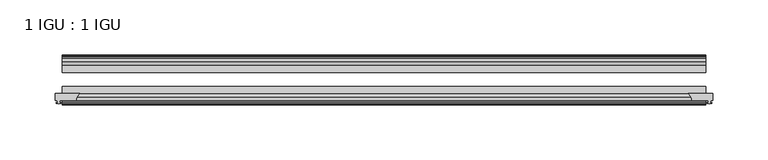
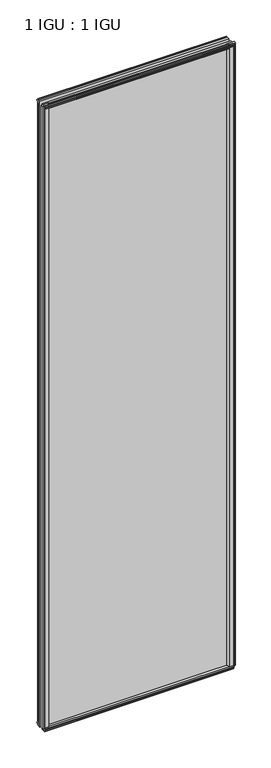
"""IFC4 building model written with IfcOpenShell, lengths in millimetres: plate geometry, 1 IGU : 1 IGU."""

from ifc_helpers import new_model, si_unit, point, frame, frame_2d, origin, origin_with_axes, place, context, project, spatial, polyline, circle_curve, trimmed, segment, composite_curve, outline, extrude, source, transform, mapped, element, save


def plate_1_igu_1_igu_6d74aeb4(model_context):
    return source(origin(), model_context, "Body", "SweptSolid", [
        extrude(outline(composite_curve([segment(polyline([(275.9114314, -44.9460938), (298.45, -44.9460938), (298.45, -51.2960938), (296.545, -51.2960938), (296.2275, -53.4006957), (297.4334059, -53.0775742), (297.4334059, -53.8927506), (295.275, -54.4710938), (293.1165941, -53.8927506), (293.1165941, -53.0775742), (294.3225, -53.4006957), (294.005, -51.2960938), (279.4, -51.2960938)]), True, "CONTINUOUS"), segment(trimmed(circle_curve(frame_2d((271.9615021, -51.2493858)), 7.4386445), [point((279.4, -51.2960938))], [point((275.9114314, -44.9460938))], True, "CARTESIAN"), True, "CONTINUOUS")], self_intersect=False)), origin_with_axes(), (0.0, 0.0, 1.0), 2031.9872998),
        extrude(outline(composite_curve([segment(trimmed(circle_curve(frame_2d((-271.9615021, -51.2493858)), 7.4386445), [point((-275.9114314, -44.9460937))], [point((-279.4, -51.2960937))], True, "CARTESIAN"), True, "CONTINUOUS"), segment(polyline([(-279.4, -51.2960937), (-294.005, -51.2960937), (-294.3225, -53.4006957), (-293.1165941, -53.0775742), (-293.1165941, -53.8927506), (-295.275, -54.4710937), (-297.4334059, -53.8927506), (-297.4334059, -53.0775742), (-296.2275, -53.4006957), (-296.545, -51.2960937), (-298.45, -51.2960937), (-298.45, -44.9460937), (-275.9114314, -44.9460937)]), True, "CONTINUOUS")], self_intersect=False)), origin_with_axes(), (0.0, 0.0, 1.0), 2031.9872998),
        extrude(outline(polyline([(277.8142137, -19.5460937), (279.9194908, -13.1960937), (285.1266852, -13.1960937), (285.5076852, -10.8158968), (284.0921562, -11.27583), (284.0921562, -10.4746158), (286.2696852, -9.7670937), (288.4472143, -10.4746158), (288.4472143, -11.27583), (287.0316852, -10.8158968), (287.4126852, -13.1960937), (291.8576852, -13.1960937), (291.8576852, -16.1419073), (289.6446077, -19.5460937), (277.8142137, -19.5460937)])), origin_with_axes(), (0.0, 0.0, 1.0), 2019.3),
        extrude(outline(polyline([(-277.8142137, -19.5460937), (-289.6446077, -19.5460937), (-291.8576852, -16.1419073), (-291.8576852, -13.1960937), (-287.4126852, -13.1960937), (-287.0316852, -10.8158968), (-288.4472143, -11.27583), (-288.4472143, -10.4746158), (-286.2696852, -9.7670937), (-284.0921562, -10.4746158), (-284.0921562, -11.27583), (-285.5076852, -10.8158968), (-285.1266852, -13.1960937), (-279.9194908, -13.1960937), (-277.8142137, -19.5460937)])), origin_with_axes(), (0.0, 0.0, 1.0), 2019.3),
        extrude(outline(polyline([(-16.1419073, -12.4576852), (-19.5460937, -10.2446077), (-19.5460937, 1.5857863), (-13.1960937, -0.5194908), (-13.1960937, -5.7266852), (-10.8158968, -6.1076852), (-11.27583, -4.6921562), (-10.4746158, -4.6921562), (-9.7670937, -6.8696852), (-10.4746158, -9.0472143), (-11.27583, -9.0472143), (-10.8158968, -7.6316852), (-13.1960937, -8.0126852), (-13.1960937, -12.4576852), (-16.1419073, -12.4576852)])), frame((-292.1, 0.0, 0.0), z_axis=(1.0, 0.0, 0.0), x_axis=(0.0, 1.0, 0.0)), (0.0, 0.0, 1.0), 584.2),
        extrude(outline(polyline([(-48.3502802, -11.938), (-51.2960937, -11.938), (-51.2960937, -7.493), (-53.6762907, -7.112), (-53.2163575, -8.5275291), (-54.0175717, -8.5275291), (-54.7250937, -6.35), (-54.0175717, -4.172471), (-53.2163575, -4.172471), (-53.6762907, -5.588), (-51.2960937, -5.207), (-51.2960937, 0.0001944), (-44.9460937, 2.1054715), (-44.9460937, -9.7249225), (-48.3502802, -11.938)])), frame((-292.1, 0.0, 0.0), z_axis=(1.0, 0.0, 0.0), x_axis=(0.0, 1.0, 0.0)), (0.0, 0.0, 1.0), 584.2),
        extrude(outline(polyline([(-16.1028367, 2031.7576852), (-13.1960937, 2031.7576852), (-13.1960937, 2027.3126852), (-10.8158968, 2026.9316852), (-11.27583, 2028.3472143), (-10.4746158, 2028.3472143), (-9.7670937, 2026.1696852), (-10.4746158, 2023.9921562), (-11.27583, 2023.9921562), (-10.8158968, 2025.4076852), (-13.1960937, 2025.0266852), (-13.1960937, 2019.7940908), (-19.5460937, 2017.6888137), (-19.5460937, 2029.5192077), (-16.1028367, 2031.7576852)])), frame((-292.1, 0.0, 0.0), z_axis=(1.0, 0.0, 0.0), x_axis=(0.0, 1.0, 0.0)), (0.0, 0.0, 1.0), 584.2),
        extrude(outline(polyline([(-48.3893508, 2031.2126), (-44.9460937, 2028.9741225), (-44.9460937, 2017.1437285), (-51.2960937, 2019.2490056), (-51.2960937, 2024.4816), (-53.6762907, 2024.8626), (-53.2163575, 2023.447071), (-54.0175717, 2023.447071), (-54.7250938, 2025.6246), (-54.0175717, 2027.8021291), (-53.2163575, 2027.8021291), (-53.6762907, 2026.3866), (-51.2960937, 2026.7676), (-51.2960937, 2031.2126), (-48.3893508, 2031.2126)])), frame((-292.1, 0.0, 0.0), z_axis=(1.0, 0.0, 0.0), x_axis=(0.0, 1.0, 0.0)), (0.0, 0.0, 1.0), 584.2),
        extrude(outline(polyline([(292.1, -19.5460937), (292.1, -25.8337453), (-292.1, -25.8337453), (-292.1, -19.5460937), (292.1, -19.5460937)])), frame((0.0, 0.0, -12.7), z_axis=(0.0, 0.0, 1.0), x_axis=(1.0, 0.0, 0.0)), (0.0, 0.0, 1.0), 2044.6872998),
        extrude(outline(polyline([(-292.1, -44.9460937), (-292.1, -38.6468938), (292.1, -38.6468938), (292.1, -44.9460937), (-292.1, -44.9460937)])), frame((0.0, 0.0, -12.7), z_axis=(0.0, 0.0, 1.0), x_axis=(1.0, 0.0, 0.0)), (0.0, 0.0, 1.0), 2044.6872998),
    ])


if __name__ == "__main__":
    model = new_model("IFC4")
    model_context = context("Model", 3, world=origin())
    ifc_project = project(units=[si_unit("LENGTHUNIT", "METRE", prefix="MILLI")], contexts=[model_context])
    site = spatial("IfcSite", under=ifc_project)
    building = spatial("IfcBuilding", under=site)
    placement = place(None, origin())
    plate_1_igu_1_igu_shape = plate_1_igu_1_igu_6d74aeb4(model_context)
    element("IfcPlate", 1, ObjectType="1 IGU : 1 IGU", at=placement, inside=building, context=model_context, shape_type="MappedRepresentation", body=[
        mapped(plate_1_igu_1_igu_shape, transform((0.0, 0.0, 0.0), x_axis=(1.0, 0.0, 0.0), y_axis=(0.0, 1.0, 0.0), z_axis=(0.0, 0.0, 1.0))),
    ])
    save(model, "model.ifc")
